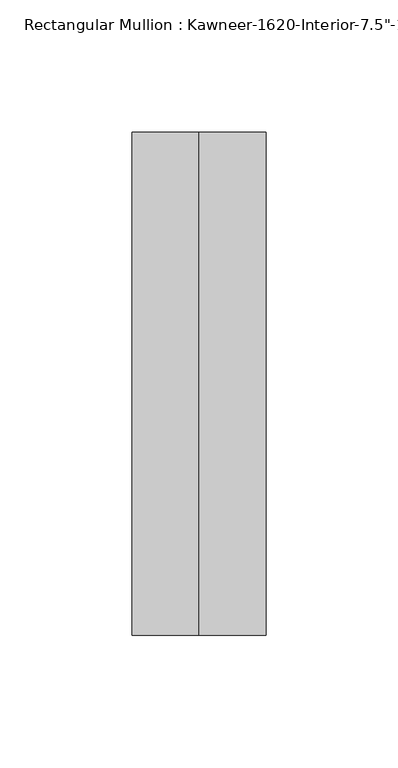
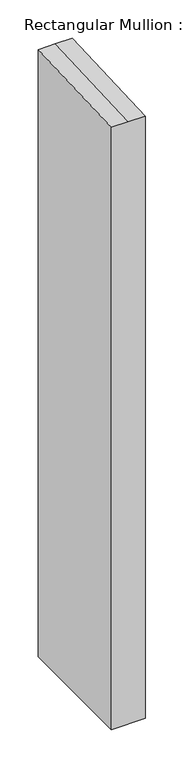
"""IFC4 building model written with IfcOpenShell, lengths in millimetres: member geometry."""

from ifc_helpers import new_model, si_unit, origin, place, context, project, spatial, faceted_brep, source, transform, mapped, element, save


def member_45f23884(model_context):
    return source(origin(), model_context, "Body", "Brep", [
        faceted_brep([(25.4, -161.925, -964.7262218), (-25.4, -161.925, -964.7262218), (-25.4, 28.575, -964.7262218), (25.4, 28.575, -964.7262218), (25.4, 28.575, 1.2476114), (25.4, -161.925, -7.0697982), (-25.4, 28.575, 1.2476114), (0.0, 28.575, 1.2476114), (-25.4, -161.925, -7.0697982), (0.0, -161.925, -7.0697982)], [[[0, 1, 2, 3]], [[4, 5, 0, 3]], [[6, 7, 4, 3, 2]], [[8, 6, 2, 1]], [[5, 9, 8, 1, 0]], [[5, 4, 7, 9]], [[7, 6, 8, 9]]]),
    ])


if __name__ == "__main__":
    model = new_model("IFC4")
    model_context = context("Model", 3, world=origin())
    ifc_project = project(units=[si_unit("LENGTHUNIT", "METRE", prefix="MILLI")], contexts=[model_context])
    site = spatial("IfcSite", under=ifc_project)
    building = spatial("IfcBuilding", under=site)
    placement = place(None, origin())
    member_shape = member_45f23884(model_context)
    element("IfcMember", 1, ObjectType="Rectangular Mullion : Kawneer-1620-Interior-7.5\"-1/4\"Infill", at=placement, inside=building, context=model_context, shape_type="MappedRepresentation", body=[
        mapped(member_shape, transform((0.0, 0.0, 0.0), x_axis=(1.0, 0.0, 0.0), y_axis=(0.0, 1.0, 0.0), z_axis=(0.0, 0.0, 1.0))),
    ])
    save(model, "model.ifc")
